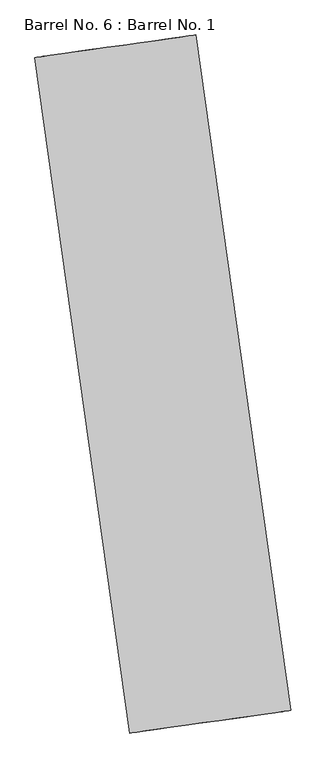
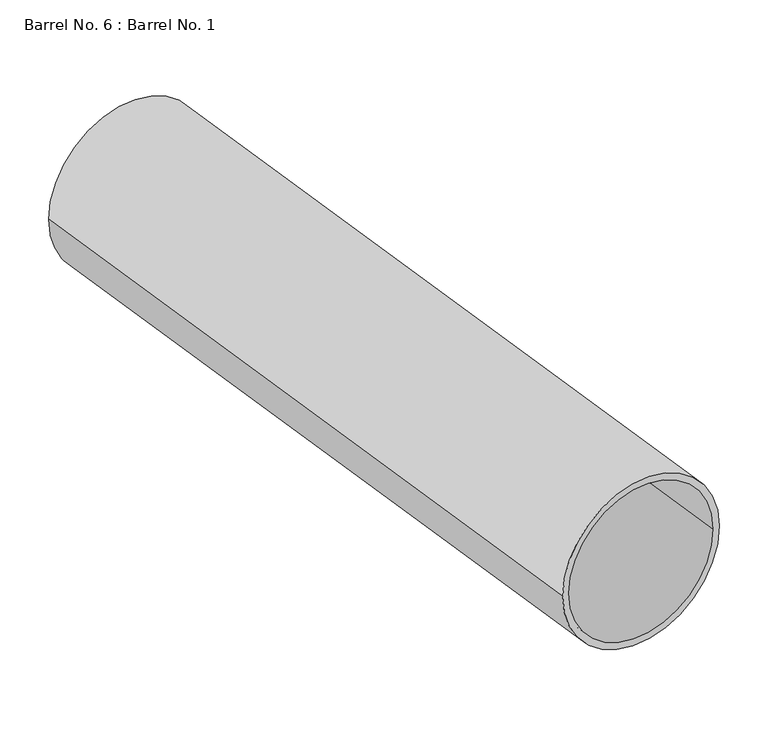
"""IFC4 building model written with IfcOpenShell, lengths in millimetres: proxy geometry, Barrel No. 6 : Barrel No. 1."""

from ifc_helpers import new_model, si_unit, point, frame, frame_2d, origin, place, context, project, spatial, circle_curve, trimmed, segment, composite_curve, outline, extrude, source, transform, mapped, element, save


def barrel_no_6_barrel_no_1_2cc5070f(model_context):
    return source(origin(), model_context, "Body", "SweptSolid", [
        extrude(outline(composite_curve([segment(trimmed(circle_curve(frame_2d((0.0, -317.5)), 317.5), [point((0.0, -634.9999999))], [point((0.0, 0.0))], False, "CARTESIAN"), True, "CONTINUOUS"), segment(trimmed(circle_curve(frame_2d((0.0, -317.5)), 317.5), [point((0.0, 0.0))], [point((0.0, -634.9999999))], False, "CARTESIAN"), True, "CONTINUOUS")], self_intersect=False), holes=[composite_curve([segment(trimmed(circle_curve(frame_2d((0.0, -317.5)), 292.1), [point((0.0, -609.6))], [point((0.0, -25.4))], True, "CARTESIAN"), True, "CONTINUOUS"), segment(trimmed(circle_curve(frame_2d((0.0, -317.5)), 292.1), [point((0.0, -25.4))], [point((0.0, -609.6))], True, "CARTESIAN"), True, "CONTINUOUS")], self_intersect=False)]), frame((150709.9284995, 27852.9610585, 317.5), z_axis=(-0.13917310096002375, 0.9902680687415761, 0.0), x_axis=(0.0, 0.0, 1.0)), (0.0, 0.0, 1.0), 2667.0),
    ])


if __name__ == "__main__":
    model = new_model("IFC4")
    model_context = context("Model", 3, world=origin())
    ifc_project = project(units=[si_unit("LENGTHUNIT", "METRE", prefix="MILLI")], contexts=[model_context])
    site = spatial("IfcSite", under=ifc_project)
    building = spatial("IfcBuilding", under=site)
    placement = place(None, origin())
    barrel_no_6_barrel_no_1_shape = barrel_no_6_barrel_no_1_2cc5070f(model_context)
    element("IfcBuildingElementProxy", 1, Name="Barrel No. 6 : Barrel No. 1", ObjectType="Barrel No. 6 : Barrel No. 1", at=placement, inside=building, context=model_context, shape_type="MappedRepresentation", body=[
        mapped(barrel_no_6_barrel_no_1_shape, transform((0.0, 0.0, 0.0), x_axis=(1.0, 0.0, 0.0), y_axis=(0.0, 1.0, 0.0), z_axis=(0.0, 0.0, 1.0))),
    ])
    save(model, "model.ifc")
